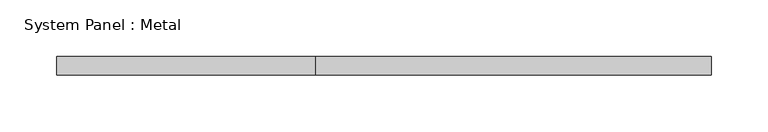
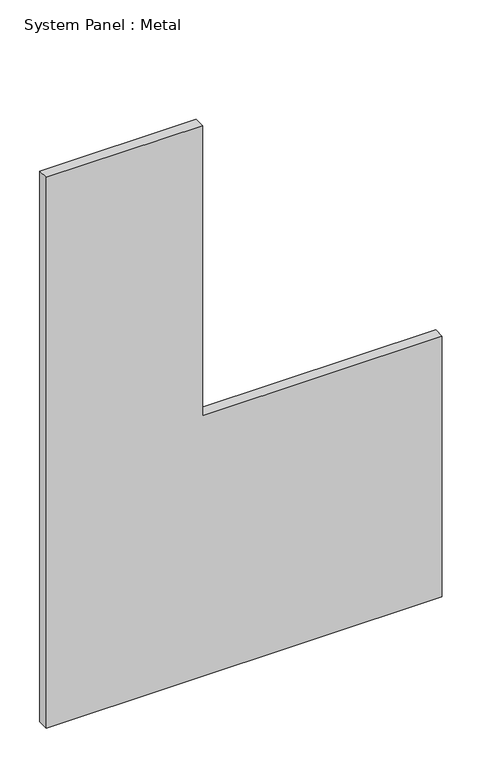
"""IFC4 building model written with IfcOpenShell, lengths in millimetres: plate geometry, System Panel : Metal."""

import ifcopenshell
import ifcopenshell.guid

model = None  # the IFC model being written
_history = None  # IfcOwnerHistory: only IFC2X3 demands one
_inside = {}  # id of a spatial element -> (the spatial element, [elements in it])
_under = {}  # id of a project, library or spatial element -> (it, [spatial elements below it])
_declared = {}  # id of a project -> (the project, [libraries it declares])
_typed = {}  # id of a type object -> (the type object, [elements of that type])
_made_of = {}  # id of a material, layer set ... -> (it, [elements and type objects made of it])


def new_model(schema):
    """Start an empty IFC model of exactly this schema.

    Asked for "IFC4X3", IfcOpenShell would pick the latest addendum, in which some entities
    have other attributes; the version numbers below select the first issue.
    IFC2X3 requires an IfcOwnerHistory on every rooted entity: one is made here for all.
    """
    global model, _history
    if schema == "IFC4X3":
        model = ifcopenshell.file(schema_version=(4, 3, 0, 0))
    else:
        model = ifcopenshell.file(schema=schema)
    _inside.clear()
    _under.clear()
    _declared.clear()
    _typed.clear()
    _made_of.clear()
    _history = None
    if model.schema == "IFC2X3":
        org = make("IfcOrganization", Name="unknown")
        user = make(
            "IfcPersonAndOrganization",
            ThePerson=make("IfcPerson", FamilyName="unknown"),
            TheOrganization=org,
        )
        app = make(
            "IfcApplication",
            ApplicationDeveloper=org,
            Version="unknown",
            ApplicationFullName="unknown",
            ApplicationIdentifier="unknown",
        )
        _history = make(
            "IfcOwnerHistory",
            OwningUser=user,
            OwningApplication=app,
            ChangeAction="ADDED",
            CreationDate=0,
        )
    return model


def make(cls, **values):
    """One entity of the class cls with the attributes given. An attribute that is None is left unset."""
    return model.create_entity(
        cls, **{name: value for name, value in values.items() if value is not None}
    )


def rooted(cls, **values):
    """An entity with a GlobalId (a new one), such as an element, a storey or a relation."""
    return make(cls, GlobalId=ifcopenshell.guid.new(), OwnerHistory=_history, **values)


def si_unit(unit_type, name, prefix=None):
    """IfcSIUnit, for example si_unit("LENGTHUNIT", "METRE", prefix="MILLI")."""
    return make("IfcSIUnit", UnitType=unit_type, Prefix=prefix, Name=name)


def assignment(units):
    """IfcUnitAssignment: the units of a project."""
    return None if units is None else make("IfcUnitAssignment", Units=units)


def point(xyz):
    """IfcCartesianPoint."""
    return None if xyz is None else make("IfcCartesianPoint", Coordinates=xyz)


def direction(xyz):
    """IfcDirection."""
    return None if xyz is None else make("IfcDirection", DirectionRatios=xyz)


def frame(location, z_axis=None, x_axis=None):
    """IfcAxis2Placement3D, a coordinate frame: its origin and axes. An axis left out is left unset."""
    return make(
        "IfcAxis2Placement3D",
        Location=point(location),
        Axis=direction(z_axis),
        RefDirection=direction(x_axis),
    )


def origin():
    """The frame at (0, 0, 0) with its axes left unset."""
    return frame((0.0, 0.0, 0.0))


def place(relative_to, where):
    """IfcLocalPlacement: puts the frame where relative to a parent placement (None: the world)."""
    return make(
        "IfcLocalPlacement", PlacementRelTo=relative_to, RelativePlacement=where
    )


def context(
    kind, dimensions, precision=None, world=None, true_north=None, identifier=None
):
    """IfcGeometricRepresentationContext, for example the 3D "Model" context."""
    return make(
        "IfcGeometricRepresentationContext",
        ContextIdentifier=identifier,
        ContextType=kind,
        CoordinateSpaceDimension=dimensions,
        Precision=precision,
        WorldCoordinateSystem=world,
        TrueNorth=true_north,
    )


def project(units=None, contexts=None):
    """IfcProject with its units and contexts."""
    return rooted(
        "IfcProject",
        Name="project",
        RepresentationContexts=contexts,
        UnitsInContext=assignment(units),
    )


def spatial(cls, under=None, at=None, **own):
    """A site, building, storey or space (cls), placed at a placement, below another one or the project."""
    s = rooted(cls, ObjectPlacement=at, **own)
    if under is not None:
        _under.setdefault(under.id(), (under, []))[1].append(s)
    return s


def polyline(points):
    """IfcPolyline through the points."""
    return make("IfcPolyline", Points=[point(p) for p in points])


def outline(outer, holes=None, kind="AREA"):
    """IfcArbitraryClosedProfileDef: a profile drawn as a closed curve; with holes, ...WithVoids."""
    if holes is None:
        return make("IfcArbitraryClosedProfileDef", ProfileType=kind, OuterCurve=outer)
    return make(
        "IfcArbitraryProfileDefWithVoids",
        ProfileType=kind,
        OuterCurve=outer,
        InnerCurves=holes,
    )


def extrude(swept, where, along, depth):
    """IfcExtrudedAreaSolid: the profile swept, set in the frame where, extruded along a direction by depth."""
    return make(
        "IfcExtrudedAreaSolid",
        SweptArea=swept,
        Position=where,
        ExtrudedDirection=direction(along),
        Depth=depth,
    )


def shape(context_of_items, identifier, shape_type, items):
    """IfcShapeRepresentation: the items that make up one representation, for example the "Body"."""
    return make(
        "IfcShapeRepresentation",
        ContextOfItems=context_of_items,
        RepresentationIdentifier=identifier,
        RepresentationType=shape_type,
        Items=items,
    )


def source(mapping_origin, context_of_items, identifier, shape_type, items):
    """IfcRepresentationMap: a shape defined once, which mapped items show again and again."""
    return make(
        "IfcRepresentationMap",
        MappingOrigin=mapping_origin,
        MappedRepresentation=shape(context_of_items, identifier, shape_type, items),
    )


def transform(
    local_origin,
    x_axis=None,
    y_axis=None,
    z_axis=None,
    scale=None,
    scale2=None,
    scale3=None,
    uniform=True,
):
    """IfcCartesianTransformationOperator3D, or its non-uniform kind. x_axis, y_axis, z_axis: its Axis1, 2, 3."""
    if uniform:
        return make(
            "IfcCartesianTransformationOperator3D",
            Axis1=direction(x_axis),
            Axis2=direction(y_axis),
            LocalOrigin=point(local_origin),
            Scale=scale,
            Axis3=direction(z_axis),
        )
    return make(
        "IfcCartesianTransformationOperator3DnonUniform",
        Axis1=direction(x_axis),
        Axis2=direction(y_axis),
        LocalOrigin=point(local_origin),
        Scale=scale,
        Axis3=direction(z_axis),
        Scale2=scale2,
        Scale3=scale3,
    )


def mapped(mapping_source, mapping_target):
    """IfcMappedItem: shows the shape of a source again, moved by a transform."""
    return make(
        "IfcMappedItem", MappingSource=mapping_source, MappingTarget=mapping_target
    )


def made_of(thing, what):
    """Note that an element or type object is made of a material, layer set ...; save() writes the relation."""
    if what is not None:
        _made_of.setdefault(what.id(), (what, []))[1].append(thing)
    return thing


def element(
    cls,
    number,
    at=None,
    inside=None,
    cuts=None,
    type_object=None,
    material=None,
    context=None,
    identifier="Body",
    shape_type=None,
    held_by="IfcProductDefinitionShape",
    body=None,
    shapes=None,
    **own,
):
    """One element of the class cls, such as IfcWall. Its Tag is "e" and its number.

    at: its placement. inside: the storey or other place that contains it. cuts: it is an
    opening in that element (IfcRelVoidsElement). A single representation is given by context,
    identifier, shape_type and body (its items); several are given by shapes. held_by: the class
    of the entity that holds the representations. save() writes the other relations.
    """
    e = rooted(cls, Tag="e%d" % number, ObjectPlacement=at, **own)
    if body is not None:
        shapes = [shape(context, identifier, shape_type, body)]
    if shapes is not None:
        e.Representation = make(held_by, Representations=shapes)
    if inside is not None:
        _inside.setdefault(inside.id(), (inside, []))[1].append(e)
    if cuts is not None:
        rooted(
            "IfcRelVoidsElement", RelatingBuildingElement=cuts, RelatedOpeningElement=e
        )
    if type_object is not None:
        _typed.setdefault(type_object.id(), (type_object, []))[1].append(e)
    return made_of(e, material)


def aggregate(whole, parts):
    """IfcRelAggregates: a whole, such as a stair, and the parts it consists of."""
    return rooted("IfcRelAggregates", RelatingObject=whole, RelatedObjects=parts)


def save(model, path):
    """Write the relations noted so far, then the file.

    IfcRelAggregates (storeys below a building ...), IfcRelContainedInSpatialStructure (elements
    in a storey), IfcRelDefinesByType, IfcRelAssociatesMaterial and IfcRelDeclares: one each for
    every whole, place, type object, material and project.
    """
    for whole, parts in _under.values():
        aggregate(whole, parts)
    for where, things in _inside.values():
        rooted(
            "IfcRelContainedInSpatialStructure",
            RelatedElements=things,
            RelatingStructure=where,
        )
    for kind, things in _typed.values():
        rooted("IfcRelDefinesByType", RelatedObjects=things, RelatingType=kind)
    for what, things in _made_of.values():
        rooted("IfcRelAssociatesMaterial", RelatedObjects=things, RelatingMaterial=what)
    for by, libraries in _declared.values():
        rooted("IfcRelDeclares", RelatingContext=by, RelatedDefinitions=libraries)
    model.write(path)


def system_panel_metal_aeb26ed6(model_context):
    return source(origin(), model_context, "Body", "SweptSolid", [
        extrude(outline(polyline([(0.0, -287.5), (0.0, 287.5), (400.0, 287.5), (400.0, -60.5742792), (845.0, -60.5742792), (845.0, -287.5), (0.0, -287.5)])), frame((0.0, -85.0, 0.0), z_axis=(0.0, 1.0, 0.0), x_axis=(0.0, 0.0, 1.0)), (0.0, 0.0, 1.0), 16.0),
    ])


if __name__ == "__main__":
    model = new_model("IFC4")
    model_context = context("Model", 3, world=origin())
    ifc_project = project(units=[si_unit("LENGTHUNIT", "METRE", prefix="MILLI")], contexts=[model_context])
    site = spatial("IfcSite", under=ifc_project)
    building = spatial("IfcBuilding", under=site)
    placement = place(None, origin())
    system_panel_metal_shape = system_panel_metal_aeb26ed6(model_context)
    element("IfcPlate", 1, ObjectType="System Panel : Metal", at=placement, inside=building, context=model_context, shape_type="MappedRepresentation", body=[
        mapped(system_panel_metal_shape, transform((0.0, 0.0, 0.0), x_axis=(1.0, 0.0, 0.0), y_axis=(0.0, 1.0, 0.0), z_axis=(0.0, 0.0, 1.0))),
    ])
    save(model, "model.ifc")
